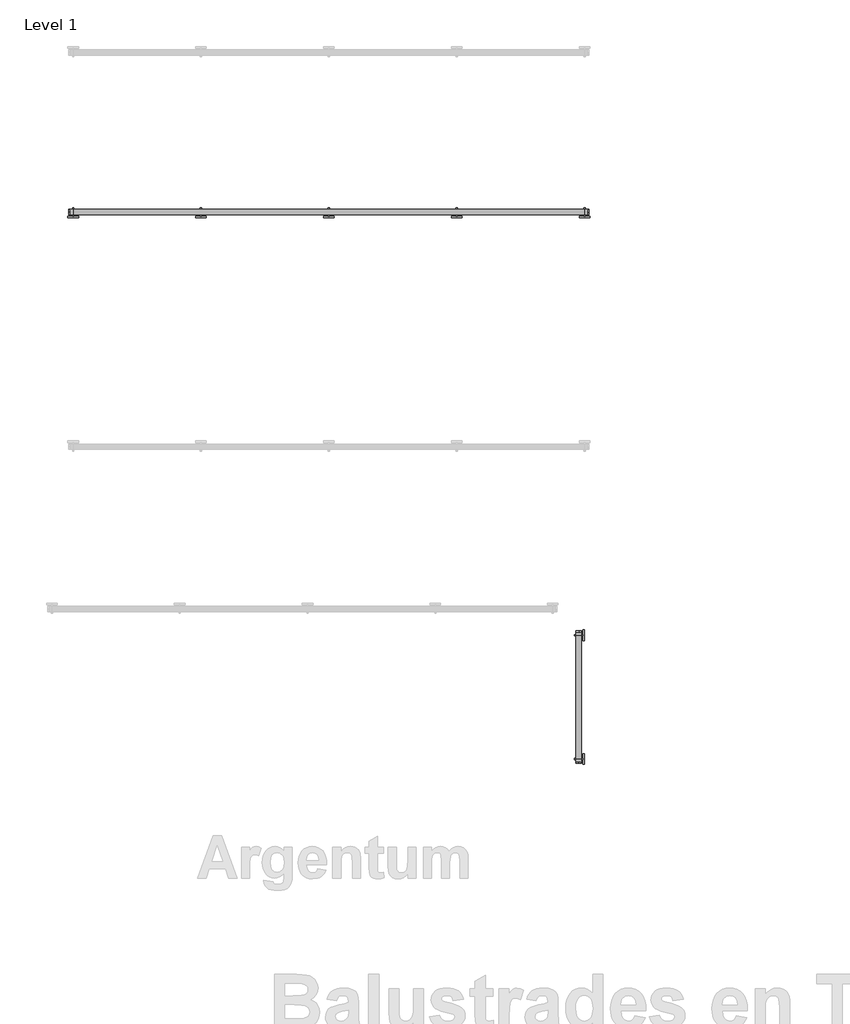
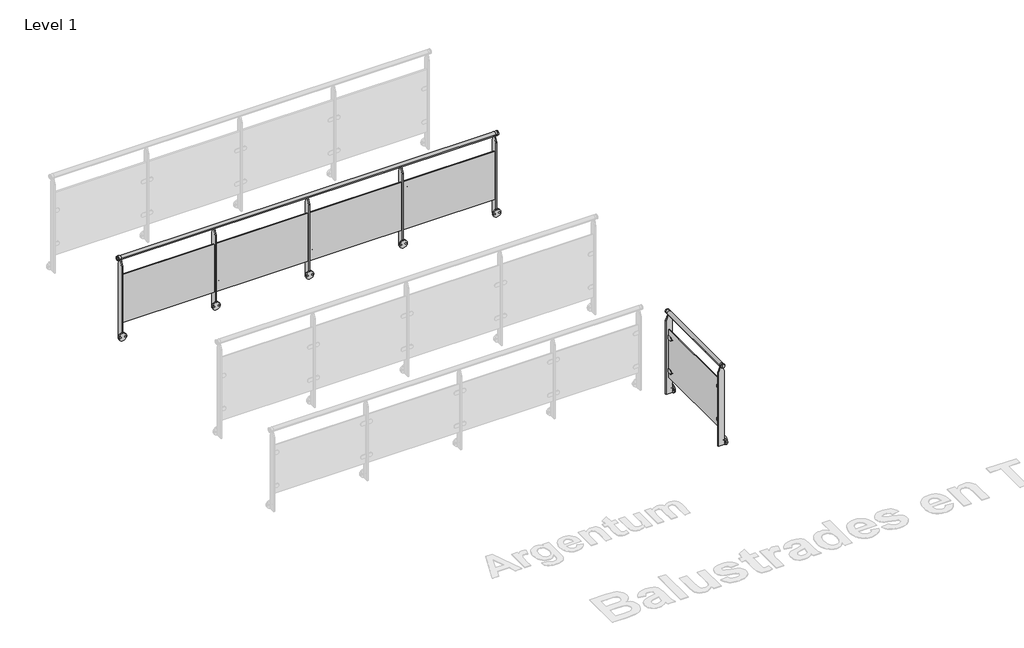
# One storey, part 2 of 16: 2 railings.
"""IFC4 building model written with IfcOpenShell, lengths in millimetres."""

from ifc_helpers import new_model, si_unit, point, frame, frame_2d, origin, place, context, project, spatial, polyline, circle_curve, trimmed, segment, composite_curve, outline, extrude, element, save
from ifc_brep_helpers import plane_surface, cylinder_surface, advanced_brep

model = new_model("IFC4")

# Units and contexts
model_context = context("Model", 3, world=origin())
ifc_project = project(units=[si_unit("LENGTHUNIT", "METRE", prefix="MILLI")], contexts=[model_context])

# Site, building, storey
site = spatial("IfcSite", under=ifc_project)
building = spatial("IfcBuilding", under=site)
storey = spatial("IfcBuildingStorey", under=building, Name="Level 1", Elevation=0.0)

# Railings
placement = place(None, origin())
element("IfcRailing", 1, at=placement, inside=storey, context=model_context, shape_type="SolidModel", body=[
    advanced_brep(
    [(24690.6479588, -9489.3474939, 975.0), (24690.6479588, -9489.3474939, 1000.0), (24690.6479588, -9489.3474939, 950.0), (24700.6479588, -9489.3474939, 950.0), (24700.6479588, -9489.3474939, 1000.0), (24700.6479588, -9489.3474939, 975.0)],
    [
        (0, 1),
        (1, 2, circle_curve(frame((24690.6479588, -9489.3474939, 975.0), z_axis=(-1.0, 0.0, 0.0), x_axis=(0.0, 0.0, 1.0)), 25.0)),
        (2, 0),
        (2, 1, circle_curve(frame((24690.6479588, -9489.3474939, 975.0), z_axis=(-1.0, 0.0, 0.0), x_axis=(0.0, 0.0, 1.0)), 25.0)),
        (3, 4, circle_curve(frame((24700.6479588, -9489.3474939, 975.0), z_axis=(1.0, 0.0, 0.0), x_axis=(0.0, 0.0, 1.0)), 25.0)),
        (4, 5),
        (5, 3),
        (4, 3, circle_curve(frame((24700.6479588, -9489.3474939, 975.0), z_axis=(1.0, 0.0, 0.0), x_axis=(0.0, 0.0, 1.0)), 25.0)),
        (1, 4),
        (3, 2),
    ],
    [
        plane_surface(frame((24690.6479588, -9489.3474939, 975.0), z_axis=(-1.0, 0.0, 0.0), x_axis=(0.0, 0.0, 1.0))),
        plane_surface(frame((24700.6479588, -9489.3474939, 975.0), z_axis=(1.0, 0.0, 0.0), x_axis=(0.0, 0.0, 1.0))),
        cylinder_surface(frame((24675.6479588, -9489.3474939, 975.0), z_axis=(-1.0, 0.0, 0.0), x_axis=(0.0, 0.0, 1.0)), 25.0),
    ],
    [
        (0, [[1, 2, 3]]),
        (0, [[-3, 4, -1]]),
        (1, [[5, 6, 7]]),
        (1, [[8, -7, -6]]),
        (2, [[-2, 9, -5, 10]]),
        (2, [[-4, -10, -8, -9]]),
    ],
),
    advanced_brep(
    [(19830.6479588, -9489.3474939, 975.0), (19830.6479588, -9489.3474939, 1000.0), (19830.6479588, -9489.3474939, 950.0), (19820.6479588, -9489.3474939, 950.0), (19820.6479588, -9489.3474939, 1000.0), (19820.6479588, -9489.3474939, 975.0)],
    [
        (0, 1),
        (1, 2, circle_curve(frame((19830.6479588, -9489.3474939, 975.0), z_axis=(1.0, 0.0, 0.0), x_axis=(0.0, 0.0, 1.0)), 25.0)),
        (2, 0),
        (2, 1, circle_curve(frame((19830.6479588, -9489.3474939, 975.0), z_axis=(1.0, 0.0, 0.0), x_axis=(0.0, 0.0, 1.0)), 25.0)),
        (3, 4, circle_curve(frame((19820.6479588, -9489.3474939, 975.0), z_axis=(-1.0, 0.0, 0.0), x_axis=(0.0, 0.0, 1.0)), 25.0)),
        (4, 5),
        (5, 3),
        (4, 3, circle_curve(frame((19820.6479588, -9489.3474939, 975.0), z_axis=(-1.0, 0.0, 0.0), x_axis=(0.0, 0.0, 1.0)), 25.0)),
        (1, 4),
        (3, 2),
    ],
    [
        plane_surface(frame((19830.6479588, -9489.3474939, 975.0), z_axis=(1.0, 0.0, 0.0), x_axis=(0.0, 0.0, 1.0))),
        plane_surface(frame((19820.6479588, -9489.3474939, 975.0), z_axis=(-1.0, 0.0, 0.0), x_axis=(0.0, 0.0, 1.0))),
        cylinder_surface(frame((19845.6479588, -9489.3474939, 975.0), z_axis=(1.0, 0.0, 0.0), x_axis=(0.0, 0.0, 1.0)), 25.0),
    ],
    [
        (0, [[1, 2, 3]]),
        (0, [[-3, 4, -1]]),
        (1, [[5, 6, 7]]),
        (1, [[8, -7, -6]]),
        (2, [[-2, 9, -5, 10]]),
        (2, [[-4, -10, -8, -9]]),
    ],
),
    advanced_brep(
    [(19830.6479588, -9514.3474939, 975.0), (19830.6479588, -9464.3474939, 975.0), (19860.6479588, -9514.3474939, 975.0), (19860.6479588, -9464.3474939, 975.0), (24660.6479588, -9514.3474939, 975.0), (24660.6479588, -9464.3474939, 975.0), (24690.6479588, -9514.3474939, 975.0), (24690.6479588, -9464.3474939, 975.0)],
    [
        (0, 1, circle_curve(frame((19830.6479588, -9489.3474939, 975.0), z_axis=(-1.0, 0.0, 0.0), x_axis=(0.0, 1.0, 0.0)), 25.0)),
        (1, 0, circle_curve(frame((19830.6479588, -9489.3474939, 975.0), z_axis=(-1.0, 0.0, 0.0), x_axis=(0.0, 1.0, 0.0)), 25.0)),
        (0, 2),
        (2, 3, circle_curve(frame((19860.6479588, -9489.3474939, 975.0), z_axis=(-1.0, 0.0, 0.0), x_axis=(0.0, 1.0, 0.0)), 25.0)),
        (3, 1),
        (3, 2, circle_curve(frame((19860.6479588, -9489.3474939, 975.0), z_axis=(-1.0, 0.0, 0.0), x_axis=(0.0, 1.0, 0.0)), 25.0)),
        (2, 4),
        (4, 5, circle_curve(frame((24660.6479588, -9489.3474939, 975.0), z_axis=(-1.0, 0.0, 0.0), x_axis=(0.0, 1.0, 0.0)), 25.0)),
        (5, 3),
        (5, 4, circle_curve(frame((24660.6479588, -9489.3474939, 975.0), z_axis=(-1.0, 0.0, 0.0), x_axis=(0.0, 1.0, 0.0)), 25.0)),
        (6, 7, circle_curve(frame((24690.6479588, -9489.3474939, 975.0), z_axis=(1.0, 0.0, 0.0), x_axis=(0.0, 1.0, 0.0)), 25.0)),
        (7, 6, circle_curve(frame((24690.6479588, -9489.3474939, 975.0), z_axis=(1.0, 0.0, 0.0), x_axis=(0.0, 1.0, 0.0)), 25.0)),
        (4, 6),
        (7, 5),
    ],
    [
        plane_surface(frame((19830.6479588, -9489.3474939, 1000.0), z_axis=(-1.0, 0.0, 0.0), x_axis=(0.0, 1.0, 0.0))),
        cylinder_surface(frame((19830.6479588, -9489.3474939, 975.0), z_axis=(-1.0, 0.0, 0.0), x_axis=(0.0, 1.0, 0.0)), 25.0),
        cylinder_surface(frame((19860.6479588, -9489.3474939, 975.0), z_axis=(-1.0, 0.0, 0.0), x_axis=(0.0, 1.0, 0.0)), 25.0),
        plane_surface(frame((24690.6479588, -9489.3474939, 1000.0), z_axis=(1.0, 0.0, 0.0), x_axis=(0.0, 1.0, 0.0))),
        cylinder_surface(frame((24660.6479588, -9489.3474939, 975.0), z_axis=(-1.0, 0.0, 0.0), x_axis=(0.0, 1.0, 0.0)), 25.0),
    ],
    [
        (0, [[1, 2]]),
        (1, [[-1, 3, 4, 5]]),
        (1, [[-2, -5, 6, -3]]),
        (2, [[-4, 7, 8, 9]]),
        (2, [[-6, -9, 10, -7]]),
        (3, [[11, 12]]),
        (4, [[-8, 13, -12, 14]]),
        (4, [[-10, -14, -11, -13]]),
    ],
),
    extrude(outline(polyline([(19860.6479588, -9512.3474939), (19860.6479588, -9496.3474939), (24660.6479588, -9496.3474939), (24660.6479588, -9512.3474939), (19860.6479588, -9512.3474939)])), frame((0.0, 0.0, 100.0), z_axis=(0.0, 0.0, 1.0), x_axis=(1.0, 0.0, 0.0)), (0.0, 0.0, 1.0), 650.0),
    extrude(outline(composite_curve([segment(trimmed(circle_curve(frame_2d((200.0, 23511.6479588)), 25.0), [point((175.0, 23511.6479588))], [point((225.0, 23511.6479588))], False, "CARTESIAN"), True, "CONTINUOUS"), segment(polyline([(225.0, 23511.6479588), (225.0, 23466.6479588), (175.0, 23466.6479588), (175.0, 23511.6479588)]), True, "CONTINUOUS")], self_intersect=False)), frame((0.0, -9502.0876051, 0.0), z_axis=(0.0, 1.0, 0.0), x_axis=(0.0, 0.0, 1.0)), (0.0, 0.0, 1.0), 25.4802223),
    extrude(outline(composite_curve([segment(trimmed(circle_curve(frame_2d((650.0, 23511.6479588)), 25.0), [point((625.0, 23511.6479588))], [point((675.0, 23511.6479588))], False, "CARTESIAN"), True, "CONTINUOUS"), segment(polyline([(675.0, 23511.6479588), (675.0, 23466.6479588), (625.0, 23466.6479588), (625.0, 23511.6479588)]), True, "CONTINUOUS")], self_intersect=False)), frame((0.0, -9502.0876051, 0.0), z_axis=(0.0, 1.0, 0.0), x_axis=(0.0, 0.0, 1.0)), (0.0, 0.0, 1.0), 25.4802223),
    extrude(outline(composite_curve([segment(polyline([(175.0, 23409.6479588), (175.0, 23454.6479588), (225.0, 23454.6479588), (225.0, 23409.6479588)]), True, "CONTINUOUS"), segment(trimmed(circle_curve(frame_2d((200.0, 23409.6479588)), 25.0), [point((225.0, 23409.6479588))], [point((175.0, 23409.6479588))], False, "CARTESIAN"), True, "CONTINUOUS")], self_intersect=False)), frame((0.0, -9502.0876051, 0.0), z_axis=(0.0, 1.0, 0.0), x_axis=(0.0, 0.0, 1.0)), (0.0, 0.0, 1.0), 25.4802223),
    extrude(outline(composite_curve([segment(polyline([(625.0, 23409.6479588), (625.0, 23454.6479588), (675.0, 23454.6479588), (675.0, 23409.6479588)]), True, "CONTINUOUS"), segment(trimmed(circle_curve(frame_2d((650.0, 23409.6479588)), 25.0), [point((675.0, 23409.6479588))], [point((625.0, 23409.6479588))], False, "CARTESIAN"), True, "CONTINUOUS")], self_intersect=False)), frame((0.0, -9502.0876051, 0.0), z_axis=(0.0, 1.0, 0.0), x_axis=(0.0, 0.0, 1.0)), (0.0, 0.0, 1.0), 25.4802223),
    extrude(outline(polyline([(-9449.3474939, -120.0), (-9529.3474939, -120.0), (-9529.3474939, 875.0), (-9499.3474939, 950.0), (-9479.3474939, 950.0), (-9449.3474939, 875.0), (-9449.3474939, -120.0)])), frame((23454.6479588, 0.0, 0.0), z_axis=(1.0, 0.0, 0.0), x_axis=(0.0, 1.0, 0.0)), (0.0, 0.0, 1.0), 12.0),
    extrude(outline(composite_curve([segment(trimmed(circle_curve(frame_2d((-70.0, 23460.6479588)), 50.0), [point((-70.0, 23510.6479588))], [point((-70.0, 23410.6479588))], False, "CARTESIAN"), True, "CONTINUOUS"), segment(trimmed(circle_curve(frame_2d((-70.0, 23460.6479588)), 50.0), [point((-70.0, 23410.6479588))], [point((-70.0, 23510.6479588))], False, "CARTESIAN"), True, "CONTINUOUS")], self_intersect=False), holes=[composite_curve([segment(trimmed(circle_curve(frame_2d((-70.0, 23491.6479588)), 9.0), [point((-70.0, 23500.6479588))], [point((-70.0, 23482.6479588))], True, "CARTESIAN"), True, "CONTINUOUS"), segment(trimmed(circle_curve(frame_2d((-70.0, 23491.6479588)), 9.0), [point((-70.0, 23482.6479588))], [point((-70.0, 23500.6479588))], True, "CARTESIAN"), True, "CONTINUOUS")], self_intersect=False), composite_curve([segment(trimmed(circle_curve(frame_2d((-70.0, 23429.6479588)), 9.0), [point((-70.0, 23438.6479588))], [point((-70.0, 23420.6479588))], True, "CARTESIAN"), True, "CONTINUOUS"), segment(trimmed(circle_curve(frame_2d((-70.0, 23429.6479588)), 9.0), [point((-70.0, 23420.6479588))], [point((-70.0, 23438.6479588))], True, "CARTESIAN"), True, "CONTINUOUS")], self_intersect=False)]), frame((0.0, -9544.3474939, 0.0), z_axis=(0.0, 1.0, 0.0), x_axis=(0.0, 0.0, 1.0)), (0.0, 0.0, 1.0), 15.0),
    extrude(outline(composite_curve([segment(trimmed(circle_curve(frame_2d((200.0, 22311.6479588)), 25.0), [point((175.0, 22311.6479588))], [point((225.0, 22311.6479588))], False, "CARTESIAN"), True, "CONTINUOUS"), segment(polyline([(225.0, 22311.6479588), (225.0, 22266.6479588), (175.0, 22266.6479588), (175.0, 22311.6479588)]), True, "CONTINUOUS")], self_intersect=False)), frame((0.0, -9502.0876051, 0.0), z_axis=(0.0, 1.0, 0.0), x_axis=(0.0, 0.0, 1.0)), (0.0, 0.0, 1.0), 25.4802223),
    extrude(outline(composite_curve([segment(trimmed(circle_curve(frame_2d((650.0, 22311.6479588)), 25.0), [point((625.0, 22311.6479588))], [point((675.0, 22311.6479588))], False, "CARTESIAN"), True, "CONTINUOUS"), segment(polyline([(675.0, 22311.6479588), (675.0, 22266.6479588), (625.0, 22266.6479588), (625.0, 22311.6479588)]), True, "CONTINUOUS")], self_intersect=False)), frame((0.0, -9502.0876051, 0.0), z_axis=(0.0, 1.0, 0.0), x_axis=(0.0, 0.0, 1.0)), (0.0, 0.0, 1.0), 25.4802223),
    extrude(outline(composite_curve([segment(polyline([(175.0, 22209.6479588), (175.0, 22254.6479588), (225.0, 22254.6479588), (225.0, 22209.6479588)]), True, "CONTINUOUS"), segment(trimmed(circle_curve(frame_2d((200.0, 22209.6479588)), 25.0), [point((225.0, 22209.6479588))], [point((175.0, 22209.6479588))], False, "CARTESIAN"), True, "CONTINUOUS")], self_intersect=False)), frame((0.0, -9502.0876051, 0.0), z_axis=(0.0, 1.0, 0.0), x_axis=(0.0, 0.0, 1.0)), (0.0, 0.0, 1.0), 25.4802223),
    extrude(outline(composite_curve([segment(polyline([(625.0, 22209.6479588), (625.0, 22254.6479588), (675.0, 22254.6479588), (675.0, 22209.6479588)]), True, "CONTINUOUS"), segment(trimmed(circle_curve(frame_2d((650.0, 22209.6479588)), 25.0), [point((675.0, 22209.6479588))], [point((625.0, 22209.6479588))], False, "CARTESIAN"), True, "CONTINUOUS")], self_intersect=False)), frame((0.0, -9502.0876051, 0.0), z_axis=(0.0, 1.0, 0.0), x_axis=(0.0, 0.0, 1.0)), (0.0, 0.0, 1.0), 25.4802223),
    extrude(outline(polyline([(-9449.3474939, -120.0), (-9529.3474939, -120.0), (-9529.3474939, 875.0), (-9499.3474939, 950.0), (-9479.3474939, 950.0), (-9449.3474939, 875.0), (-9449.3474939, -120.0)])), frame((22254.6479588, 0.0, 0.0), z_axis=(1.0, 0.0, 0.0), x_axis=(0.0, 1.0, 0.0)), (0.0, 0.0, 1.0), 12.0),
    extrude(outline(composite_curve([segment(trimmed(circle_curve(frame_2d((-70.0, 22260.6479588)), 50.0), [point((-70.0, 22310.6479588))], [point((-70.0, 22210.6479588))], False, "CARTESIAN"), True, "CONTINUOUS"), segment(trimmed(circle_curve(frame_2d((-70.0, 22260.6479588)), 50.0), [point((-70.0, 22210.6479588))], [point((-70.0, 22310.6479588))], False, "CARTESIAN"), True, "CONTINUOUS")], self_intersect=False), holes=[composite_curve([segment(trimmed(circle_curve(frame_2d((-70.0, 22291.6479588)), 9.0), [point((-70.0, 22300.6479588))], [point((-70.0, 22282.6479588))], True, "CARTESIAN"), True, "CONTINUOUS"), segment(trimmed(circle_curve(frame_2d((-70.0, 22291.6479588)), 9.0), [point((-70.0, 22282.6479588))], [point((-70.0, 22300.6479588))], True, "CARTESIAN"), True, "CONTINUOUS")], self_intersect=False), composite_curve([segment(trimmed(circle_curve(frame_2d((-70.0, 22229.6479588)), 9.0), [point((-70.0, 22238.6479588))], [point((-70.0, 22220.6479588))], True, "CARTESIAN"), True, "CONTINUOUS"), segment(trimmed(circle_curve(frame_2d((-70.0, 22229.6479588)), 9.0), [point((-70.0, 22220.6479588))], [point((-70.0, 22238.6479588))], True, "CARTESIAN"), True, "CONTINUOUS")], self_intersect=False)]), frame((0.0, -9544.3474939, 0.0), z_axis=(0.0, 1.0, 0.0), x_axis=(0.0, 0.0, 1.0)), (0.0, 0.0, 1.0), 15.0),
    extrude(outline(composite_curve([segment(trimmed(circle_curve(frame_2d((200.0, 21111.6479588)), 25.0), [point((175.0, 21111.6479588))], [point((225.0, 21111.6479588))], False, "CARTESIAN"), True, "CONTINUOUS"), segment(polyline([(225.0, 21111.6479588), (225.0, 21066.6479588), (175.0, 21066.6479588), (175.0, 21111.6479588)]), True, "CONTINUOUS")], self_intersect=False)), frame((0.0, -9502.0876051, 0.0), z_axis=(0.0, 1.0, 0.0), x_axis=(0.0, 0.0, 1.0)), (0.0, 0.0, 1.0), 25.4802223),
    extrude(outline(composite_curve([segment(trimmed(circle_curve(frame_2d((650.0, 21111.6479588)), 25.0), [point((625.0, 21111.6479588))], [point((675.0, 21111.6479588))], False, "CARTESIAN"), True, "CONTINUOUS"), segment(polyline([(675.0, 21111.6479588), (675.0, 21066.6479588), (625.0, 21066.6479588), (625.0, 21111.6479588)]), True, "CONTINUOUS")], self_intersect=False)), frame((0.0, -9502.0876051, 0.0), z_axis=(0.0, 1.0, 0.0), x_axis=(0.0, 0.0, 1.0)), (0.0, 0.0, 1.0), 25.4802223),
    extrude(outline(composite_curve([segment(polyline([(175.0, 21009.6479588), (175.0, 21054.6479588), (225.0, 21054.6479588), (225.0, 21009.6479588)]), True, "CONTINUOUS"), segment(trimmed(circle_curve(frame_2d((200.0, 21009.6479588)), 25.0), [point((225.0, 21009.6479588))], [point((175.0, 21009.6479588))], False, "CARTESIAN"), True, "CONTINUOUS")], self_intersect=False)), frame((0.0, -9502.0876051, 0.0), z_axis=(0.0, 1.0, 0.0), x_axis=(0.0, 0.0, 1.0)), (0.0, 0.0, 1.0), 25.4802223),
    extrude(outline(composite_curve([segment(polyline([(625.0, 21009.6479588), (625.0, 21054.6479588), (675.0, 21054.6479588), (675.0, 21009.6479588)]), True, "CONTINUOUS"), segment(trimmed(circle_curve(frame_2d((650.0, 21009.6479588)), 25.0), [point((675.0, 21009.6479588))], [point((625.0, 21009.6479588))], False, "CARTESIAN"), True, "CONTINUOUS")], self_intersect=False)), frame((0.0, -9502.0876051, 0.0), z_axis=(0.0, 1.0, 0.0), x_axis=(0.0, 0.0, 1.0)), (0.0, 0.0, 1.0), 25.4802223),
    extrude(outline(polyline([(-9449.3474939, -120.0), (-9529.3474939, -120.0), (-9529.3474939, 875.0), (-9499.3474939, 950.0), (-9479.3474939, 950.0), (-9449.3474939, 875.0), (-9449.3474939, -120.0)])), frame((21054.6479588, 0.0, 0.0), z_axis=(1.0, 0.0, 0.0), x_axis=(0.0, 1.0, 0.0)), (0.0, 0.0, 1.0), 12.0),
    extrude(outline(composite_curve([segment(trimmed(circle_curve(frame_2d((-70.0, 21060.6479588)), 50.0), [point((-70.0, 21110.6479588))], [point((-70.0, 21010.6479588))], False, "CARTESIAN"), True, "CONTINUOUS"), segment(trimmed(circle_curve(frame_2d((-70.0, 21060.6479588)), 50.0), [point((-70.0, 21010.6479588))], [point((-70.0, 21110.6479588))], False, "CARTESIAN"), True, "CONTINUOUS")], self_intersect=False), holes=[composite_curve([segment(trimmed(circle_curve(frame_2d((-70.0, 21091.6479588)), 9.0), [point((-70.0, 21100.6479588))], [point((-70.0, 21082.6479588))], True, "CARTESIAN"), True, "CONTINUOUS"), segment(trimmed(circle_curve(frame_2d((-70.0, 21091.6479588)), 9.0), [point((-70.0, 21082.6479588))], [point((-70.0, 21100.6479588))], True, "CARTESIAN"), True, "CONTINUOUS")], self_intersect=False), composite_curve([segment(trimmed(circle_curve(frame_2d((-70.0, 21029.6479588)), 9.0), [point((-70.0, 21038.6479588))], [point((-70.0, 21020.6479588))], True, "CARTESIAN"), True, "CONTINUOUS"), segment(trimmed(circle_curve(frame_2d((-70.0, 21029.6479588)), 9.0), [point((-70.0, 21020.6479588))], [point((-70.0, 21038.6479588))], True, "CARTESIAN"), True, "CONTINUOUS")], self_intersect=False)]), frame((0.0, -9544.3474939, 0.0), z_axis=(0.0, 1.0, 0.0), x_axis=(0.0, 0.0, 1.0)), (0.0, 0.0, 1.0), 15.0),
    extrude(outline(composite_curve([segment(polyline([(175.0, 24609.6479588), (175.0, 24654.6479588), (225.0, 24654.6479588), (225.0, 24609.6479588)]), True, "CONTINUOUS"), segment(trimmed(circle_curve(frame_2d((200.0, 24609.6479588)), 25.0), [point((225.0, 24609.6479588))], [point((175.0, 24609.6479588))], False, "CARTESIAN"), True, "CONTINUOUS")], self_intersect=False)), frame((0.0, -9502.0876051, 0.0), z_axis=(0.0, 1.0, 0.0), x_axis=(0.0, 0.0, 1.0)), (0.0, 0.0, 1.0), 25.4802223),
    extrude(outline(composite_curve([segment(polyline([(625.0, 24609.6479588), (625.0, 24654.6479588), (675.0, 24654.6479588), (675.0, 24609.6479588)]), True, "CONTINUOUS"), segment(trimmed(circle_curve(frame_2d((650.0, 24609.6479588)), 25.0), [point((675.0, 24609.6479588))], [point((625.0, 24609.6479588))], False, "CARTESIAN"), True, "CONTINUOUS")], self_intersect=False)), frame((0.0, -9502.0876051, 0.0), z_axis=(0.0, 1.0, 0.0), x_axis=(0.0, 0.0, 1.0)), (0.0, 0.0, 1.0), 25.4802223),
    extrude(outline(polyline([(-9449.3474939, -120.0), (-9529.3474939, -120.0), (-9529.3474939, 875.0), (-9499.3474939, 950.0), (-9479.3474939, 950.0), (-9449.3474939, 875.0), (-9449.3474939, -120.0)])), frame((24654.6479588, 0.0, 0.0), z_axis=(1.0, 0.0, 0.0), x_axis=(0.0, 1.0, 0.0)), (0.0, 0.0, 1.0), 12.0),
    extrude(outline(composite_curve([segment(trimmed(circle_curve(frame_2d((-70.0, 24660.6479588)), 50.0), [point((-70.0, 24710.6479588))], [point((-70.0, 24610.6479588))], False, "CARTESIAN"), True, "CONTINUOUS"), segment(trimmed(circle_curve(frame_2d((-70.0, 24660.6479588)), 50.0), [point((-70.0, 24610.6479588))], [point((-70.0, 24710.6479588))], False, "CARTESIAN"), True, "CONTINUOUS")], self_intersect=False), holes=[composite_curve([segment(trimmed(circle_curve(frame_2d((-70.0, 24691.6479588)), 9.0), [point((-70.0, 24700.6479588))], [point((-70.0, 24682.6479588))], True, "CARTESIAN"), True, "CONTINUOUS"), segment(trimmed(circle_curve(frame_2d((-70.0, 24691.6479588)), 9.0), [point((-70.0, 24682.6479588))], [point((-70.0, 24700.6479588))], True, "CARTESIAN"), True, "CONTINUOUS")], self_intersect=False), composite_curve([segment(trimmed(circle_curve(frame_2d((-70.0, 24629.6479588)), 9.0), [point((-70.0, 24638.6479588))], [point((-70.0, 24620.6479588))], True, "CARTESIAN"), True, "CONTINUOUS"), segment(trimmed(circle_curve(frame_2d((-70.0, 24629.6479588)), 9.0), [point((-70.0, 24620.6479588))], [point((-70.0, 24638.6479588))], True, "CARTESIAN"), True, "CONTINUOUS")], self_intersect=False)]), frame((0.0, -9544.3474939, 0.0), z_axis=(0.0, 1.0, 0.0), x_axis=(0.0, 0.0, 1.0)), (0.0, 0.0, 1.0), 15.0),
    extrude(outline(composite_curve([segment(trimmed(circle_curve(frame_2d((200.0, 19911.6479588)), 25.0), [point((175.0, 19911.6479588))], [point((225.0, 19911.6479588))], False, "CARTESIAN"), True, "CONTINUOUS"), segment(polyline([(225.0, 19911.6479588), (225.0, 19866.6479588), (175.0, 19866.6479588), (175.0, 19911.6479588)]), True, "CONTINUOUS")], self_intersect=False)), frame((0.0, -9502.0876051, 0.0), z_axis=(0.0, 1.0, 0.0), x_axis=(0.0, 0.0, 1.0)), (0.0, 0.0, 1.0), 25.4802223),
    extrude(outline(composite_curve([segment(trimmed(circle_curve(frame_2d((650.0, 19911.6479588)), 25.0), [point((625.0, 19911.6479588))], [point((675.0, 19911.6479588))], False, "CARTESIAN"), True, "CONTINUOUS"), segment(polyline([(675.0, 19911.6479588), (675.0, 19866.6479588), (625.0, 19866.6479588), (625.0, 19911.6479588)]), True, "CONTINUOUS")], self_intersect=False)), frame((0.0, -9502.0876051, 0.0), z_axis=(0.0, 1.0, 0.0), x_axis=(0.0, 0.0, 1.0)), (0.0, 0.0, 1.0), 25.4802223),
    extrude(outline(polyline([(-9449.3474939, -120.0), (-9529.3474939, -120.0), (-9529.3474939, 875.0), (-9499.3474939, 950.0), (-9479.3474939, 950.0), (-9449.3474939, 875.0), (-9449.3474939, -120.0)])), frame((19854.6479588, 0.0, 0.0), z_axis=(1.0, 0.0, 0.0), x_axis=(0.0, 1.0, 0.0)), (0.0, 0.0, 1.0), 12.0),
    extrude(outline(composite_curve([segment(trimmed(circle_curve(frame_2d((-70.0, 19860.6479588)), 50.0), [point((-70.0, 19910.6479588))], [point((-70.0, 19810.6479588))], False, "CARTESIAN"), True, "CONTINUOUS"), segment(trimmed(circle_curve(frame_2d((-70.0, 19860.6479588)), 50.0), [point((-70.0, 19810.6479588))], [point((-70.0, 19910.6479588))], False, "CARTESIAN"), True, "CONTINUOUS")], self_intersect=False), holes=[composite_curve([segment(trimmed(circle_curve(frame_2d((-70.0, 19891.6479588)), 9.0), [point((-70.0, 19900.6479588))], [point((-70.0, 19882.6479588))], True, "CARTESIAN"), True, "CONTINUOUS"), segment(trimmed(circle_curve(frame_2d((-70.0, 19891.6479588)), 9.0), [point((-70.0, 19882.6479588))], [point((-70.0, 19900.6479588))], True, "CARTESIAN"), True, "CONTINUOUS")], self_intersect=False), composite_curve([segment(trimmed(circle_curve(frame_2d((-70.0, 19829.6479588)), 9.0), [point((-70.0, 19838.6479588))], [point((-70.0, 19820.6479588))], True, "CARTESIAN"), True, "CONTINUOUS"), segment(trimmed(circle_curve(frame_2d((-70.0, 19829.6479588)), 9.0), [point((-70.0, 19820.6479588))], [point((-70.0, 19838.6479588))], True, "CARTESIAN"), True, "CONTINUOUS")], self_intersect=False)]), frame((0.0, -9544.3474939, 0.0), z_axis=(0.0, 1.0, 0.0), x_axis=(0.0, 0.0, 1.0)), (0.0, 0.0, 1.0), 15.0),
])
element("IfcRailing", 2, at=placement, inside=storey, context=model_context, shape_type="SolidModel", body=[
    advanced_brep(
    [(24605.6479588, -14648.253682, 975.0), (24605.6479588, -14648.253682, 1000.0), (24605.6479588, -14648.253682, 950.0), (24605.6479588, -14658.253682, 950.0), (24605.6479588, -14658.253682, 1000.0), (24605.6479588, -14658.253682, 975.0)],
    [
        (0, 1),
        (1, 2, circle_curve(frame((24605.6479588, -14648.253682, 975.0), z_axis=(0.0, 1.0, 0.0), x_axis=(0.0, 0.0, 1.0)), 25.0)),
        (2, 0),
        (2, 1, circle_curve(frame((24605.6479588, -14648.253682, 975.0), z_axis=(0.0, 1.0, 0.0), x_axis=(0.0, 0.0, 1.0)), 25.0)),
        (3, 4, circle_curve(frame((24605.6479588, -14658.253682, 975.0), z_axis=(0.0, -1.0, 0.0), x_axis=(0.0, 0.0, 1.0)), 25.0)),
        (4, 5),
        (5, 3),
        (4, 3, circle_curve(frame((24605.6479588, -14658.253682, 975.0), z_axis=(0.0, -1.0, 0.0), x_axis=(0.0, 0.0, 1.0)), 25.0)),
        (1, 4),
        (3, 2),
    ],
    [
        plane_surface(frame((24605.6479588, -14648.253682, 975.0), z_axis=(0.0, 1.0, 0.0), x_axis=(0.0, 0.0, 1.0))),
        plane_surface(frame((24605.6479588, -14658.253682, 975.0), z_axis=(0.0, -1.0, 0.0), x_axis=(0.0, 0.0, 1.0))),
        cylinder_surface(frame((24605.6479588, -14633.253682, 975.0), z_axis=(0.0, 1.0, 0.0), x_axis=(0.0, 0.0, 1.0)), 25.0),
    ],
    [
        (0, [[1, 2, 3]]),
        (0, [[-3, 4, -1]]),
        (1, [[5, 6, 7]]),
        (1, [[8, -7, -6]]),
        (2, [[-2, 9, -5, 10]]),
        (2, [[-4, -10, -8, -9]]),
    ],
),
    advanced_brep(
    [(24605.6479588, -13428.253682, 975.0), (24605.6479588, -13428.253682, 1000.0), (24605.6479588, -13428.253682, 950.0), (24605.6479588, -13418.253682, 950.0), (24605.6479588, -13418.253682, 1000.0), (24605.6479588, -13418.253682, 975.0)],
    [
        (0, 1),
        (1, 2, circle_curve(frame((24605.6479588, -13428.253682, 975.0), z_axis=(0.0, -1.0, 0.0), x_axis=(0.0, 0.0, 1.0)), 25.0)),
        (2, 0),
        (2, 1, circle_curve(frame((24605.6479588, -13428.253682, 975.0), z_axis=(0.0, -1.0, 0.0), x_axis=(0.0, 0.0, 1.0)), 25.0)),
        (3, 4, circle_curve(frame((24605.6479588, -13418.253682, 975.0), z_axis=(0.0, 1.0, 0.0), x_axis=(0.0, 0.0, 1.0)), 25.0)),
        (4, 5),
        (5, 3),
        (4, 3, circle_curve(frame((24605.6479588, -13418.253682, 975.0), z_axis=(0.0, 1.0, 0.0), x_axis=(0.0, 0.0, 1.0)), 25.0)),
        (1, 4),
        (3, 2),
    ],
    [
        plane_surface(frame((24605.6479588, -13428.253682, 975.0), z_axis=(0.0, -1.0, 0.0), x_axis=(0.0, 0.0, 1.0))),
        plane_surface(frame((24605.6479588, -13418.253682, 975.0), z_axis=(0.0, 1.0, 0.0), x_axis=(0.0, 0.0, 1.0))),
        cylinder_surface(frame((24605.6479588, -13443.253682, 975.0), z_axis=(0.0, -1.0, 0.0), x_axis=(0.0, 0.0, 1.0)), 25.0),
    ],
    [
        (0, [[1, 2, 3]]),
        (0, [[-3, 4, -1]]),
        (1, [[5, 6, 7]]),
        (1, [[8, -7, -6]]),
        (2, [[-2, 9, -5, 10]]),
        (2, [[-4, -10, -8, -9]]),
    ],
),
    advanced_brep(
    [(24580.6479588, -13428.253682, 975.0), (24630.6479588, -13428.253682, 975.0), (24580.6479588, -13458.253682, 975.0), (24630.6479588, -13458.253682, 975.0), (24580.6479588, -14618.253682, 975.0), (24630.6479588, -14618.253682, 975.0), (24580.6479588, -14648.253682, 975.0), (24630.6479588, -14648.253682, 975.0)],
    [
        (0, 1, circle_curve(frame((24605.6479588, -13428.253682, 975.0), z_axis=(0.0, 1.0, 0.0), x_axis=(1.0, 0.0, 0.0)), 25.0)),
        (1, 0, circle_curve(frame((24605.6479588, -13428.253682, 975.0), z_axis=(0.0, 1.0, 0.0), x_axis=(1.0, 0.0, 0.0)), 25.0)),
        (0, 2),
        (2, 3, circle_curve(frame((24605.6479588, -13458.253682, 975.0), z_axis=(0.0, 1.0, 0.0), x_axis=(1.0, 0.0, 0.0)), 25.0)),
        (3, 1),
        (3, 2, circle_curve(frame((24605.6479588, -13458.253682, 975.0), z_axis=(0.0, 1.0, 0.0), x_axis=(1.0, 0.0, 0.0)), 25.0)),
        (2, 4),
        (4, 5, circle_curve(frame((24605.6479588, -14618.253682, 975.0), z_axis=(0.0, 1.0, 0.0), x_axis=(1.0, 0.0, 0.0)), 25.0)),
        (5, 3),
        (5, 4, circle_curve(frame((24605.6479588, -14618.253682, 975.0), z_axis=(0.0, 1.0, 0.0), x_axis=(1.0, 0.0, 0.0)), 25.0)),
        (6, 7, circle_curve(frame((24605.6479588, -14648.253682, 975.0), z_axis=(0.0, -1.0, 0.0), x_axis=(1.0, 0.0, 0.0)), 25.0)),
        (7, 6, circle_curve(frame((24605.6479588, -14648.253682, 975.0), z_axis=(0.0, -1.0, 0.0), x_axis=(1.0, 0.0, 0.0)), 25.0)),
        (4, 6),
        (7, 5),
    ],
    [
        plane_surface(frame((24605.6479588, -13428.253682, 1000.0), z_axis=(0.0, 1.0, 0.0), x_axis=(0.0, 0.0, -1.0))),
        cylinder_surface(frame((24605.6479588, -13428.253682, 975.0), z_axis=(0.0, 1.0, 0.0), x_axis=(1.0, 0.0, 0.0)), 25.0),
        cylinder_surface(frame((24605.6479588, -13458.253682, 975.0), z_axis=(0.0, 1.0, 0.0), x_axis=(1.0, 0.0, 0.0)), 25.0),
        plane_surface(frame((24605.6479588, -14648.253682, 1000.0), z_axis=(0.0, -1.0, 0.0), x_axis=(0.0, 0.0, -1.0))),
        cylinder_surface(frame((24605.6479588, -14618.253682, 975.0), z_axis=(0.0, 1.0, 0.0), x_axis=(1.0, 0.0, 0.0)), 25.0),
    ],
    [
        (0, [[1, 2]]),
        (1, [[-1, 3, 4, 5]]),
        (1, [[-2, -5, 6, -3]]),
        (2, [[-4, 7, 8, 9]]),
        (2, [[-6, -9, 10, -7]]),
        (3, [[11, 12]]),
        (4, [[-8, 13, -12, 14]]),
        (4, [[-10, -14, -11, -13]]),
    ],
),
    extrude(outline(polyline([(24599.6479588, -13458.253682), (24611.6479588, -13458.253682), (24611.6479588, -14618.253682), (24599.6479588, -14618.253682), (24599.6479588, -13458.253682)])), frame((0.0, 0.0, 100.0), z_axis=(0.0, 0.0, 1.0), x_axis=(1.0, 0.0, 0.0)), (0.0, 0.0, 1.0), 650.0),
    extrude(outline(composite_curve([segment(polyline([(-14567.253682, 175.0), (-14612.253682, 175.0), (-14612.253682, 225.0), (-14567.253682, 225.0)]), True, "CONTINUOUS"), segment(trimmed(circle_curve(frame_2d((-14567.253682, 200.0)), 25.0), [point((-14567.253682, 225.0))], [point((-14567.253682, 175.0))], False, "CARTESIAN"), True, "CONTINUOUS")], self_intersect=False)), frame((24592.9078476, 0.0, 0.0), z_axis=(1.0, 0.0, 0.0), x_axis=(0.0, 1.0, 0.0)), (0.0, 0.0, 1.0), 25.4802223),
    extrude(outline(composite_curve([segment(polyline([(-14567.253682, 625.0), (-14612.253682, 625.0), (-14612.253682, 675.0), (-14567.253682, 675.0)]), True, "CONTINUOUS"), segment(trimmed(circle_curve(frame_2d((-14567.253682, 650.0)), 25.0), [point((-14567.253682, 675.0))], [point((-14567.253682, 625.0))], False, "CARTESIAN"), True, "CONTINUOUS")], self_intersect=False)), frame((24592.9078476, 0.0, 0.0), z_axis=(1.0, 0.0, 0.0), x_axis=(0.0, 1.0, 0.0)), (0.0, 0.0, 1.0), 25.4802223),
    extrude(outline(polyline([(-120.0, 24645.6479588), (875.0, 24645.6479588), (950.0, 24615.6479588), (950.0, 24595.6479588), (875.0, 24565.6479588), (-120.0, 24565.6479588), (-120.0, 24645.6479588)])), frame((0.0, -14624.253682, 0.0), z_axis=(0.0, 1.0, 0.0), x_axis=(0.0, 0.0, 1.0)), (0.0, 0.0, 1.0), 12.0),
    extrude(outline(composite_curve([segment(trimmed(circle_curve(frame_2d((-14618.253682, -70.0)), 50.0), [point((-14668.253682, -70.0))], [point((-14568.253682, -70.0))], False, "CARTESIAN"), True, "CONTINUOUS"), segment(trimmed(circle_curve(frame_2d((-14618.253682, -70.0)), 50.0), [point((-14568.253682, -70.0))], [point((-14668.253682, -70.0))], False, "CARTESIAN"), True, "CONTINUOUS")], self_intersect=False), holes=[composite_curve([segment(trimmed(circle_curve(frame_2d((-14649.253682, -70.0)), 9.0), [point((-14658.253682, -70.0))], [point((-14640.253682, -70.0))], True, "CARTESIAN"), True, "CONTINUOUS"), segment(trimmed(circle_curve(frame_2d((-14649.253682, -70.0)), 9.0), [point((-14640.253682, -70.0))], [point((-14658.253682, -70.0))], True, "CARTESIAN"), True, "CONTINUOUS")], self_intersect=False), composite_curve([segment(trimmed(circle_curve(frame_2d((-14587.253682, -70.0)), 9.0), [point((-14596.253682, -70.0))], [point((-14578.253682, -70.0))], True, "CARTESIAN"), True, "CONTINUOUS"), segment(trimmed(circle_curve(frame_2d((-14587.253682, -70.0)), 9.0), [point((-14578.253682, -70.0))], [point((-14596.253682, -70.0))], True, "CARTESIAN"), True, "CONTINUOUS")], self_intersect=False)]), frame((24645.6479588, 0.0, 0.0), z_axis=(1.0, 0.0, 0.0), x_axis=(0.0, 1.0, 0.0)), (0.0, 0.0, 1.0), 15.0),
    extrude(outline(composite_curve([segment(trimmed(circle_curve(frame_2d((-13509.253682, 200.0)), 25.0), [point((-13509.253682, 175.0))], [point((-13509.253682, 225.0))], False, "CARTESIAN"), True, "CONTINUOUS"), segment(polyline([(-13509.253682, 225.0), (-13464.253682, 225.0), (-13464.253682, 175.0), (-13509.253682, 175.0)]), True, "CONTINUOUS")], self_intersect=False)), frame((24592.9078476, 0.0, 0.0), z_axis=(1.0, 0.0, 0.0), x_axis=(0.0, 1.0, 0.0)), (0.0, 0.0, 1.0), 25.4802223),
    extrude(outline(composite_curve([segment(trimmed(circle_curve(frame_2d((-13509.253682, 650.0)), 25.0), [point((-13509.253682, 625.0))], [point((-13509.253682, 675.0))], False, "CARTESIAN"), True, "CONTINUOUS"), segment(polyline([(-13509.253682, 675.0), (-13464.253682, 675.0), (-13464.253682, 625.0), (-13509.253682, 625.0)]), True, "CONTINUOUS")], self_intersect=False)), frame((24592.9078476, 0.0, 0.0), z_axis=(1.0, 0.0, 0.0), x_axis=(0.0, 1.0, 0.0)), (0.0, 0.0, 1.0), 25.4802223),
    extrude(outline(polyline([(-120.0, 24645.6479588), (875.0, 24645.6479588), (950.0, 24615.6479588), (950.0, 24595.6479588), (875.0, 24565.6479588), (-120.0, 24565.6479588), (-120.0, 24645.6479588)])), frame((0.0, -13464.253682, 0.0), z_axis=(0.0, 1.0, 0.0), x_axis=(0.0, 0.0, 1.0)), (0.0, 0.0, 1.0), 12.0),
    extrude(outline(composite_curve([segment(trimmed(circle_curve(frame_2d((-13458.253682, -70.0)), 50.0), [point((-13508.253682, -70.0))], [point((-13408.253682, -70.0))], False, "CARTESIAN"), True, "CONTINUOUS"), segment(trimmed(circle_curve(frame_2d((-13458.253682, -70.0)), 50.0), [point((-13408.253682, -70.0))], [point((-13508.253682, -70.0))], False, "CARTESIAN"), True, "CONTINUOUS")], self_intersect=False), holes=[composite_curve([segment(trimmed(circle_curve(frame_2d((-13489.253682, -70.0)), 9.0), [point((-13498.253682, -70.0))], [point((-13480.253682, -70.0))], True, "CARTESIAN"), True, "CONTINUOUS"), segment(trimmed(circle_curve(frame_2d((-13489.253682, -70.0)), 9.0), [point((-13480.253682, -70.0))], [point((-13498.253682, -70.0))], True, "CARTESIAN"), True, "CONTINUOUS")], self_intersect=False), composite_curve([segment(trimmed(circle_curve(frame_2d((-13427.253682, -70.0)), 9.0), [point((-13436.253682, -70.0))], [point((-13418.253682, -70.0))], True, "CARTESIAN"), True, "CONTINUOUS"), segment(trimmed(circle_curve(frame_2d((-13427.253682, -70.0)), 9.0), [point((-13418.253682, -70.0))], [point((-13436.253682, -70.0))], True, "CARTESIAN"), True, "CONTINUOUS")], self_intersect=False)]), frame((24645.6479588, 0.0, 0.0), z_axis=(1.0, 0.0, 0.0), x_axis=(0.0, 1.0, 0.0)), (0.0, 0.0, 1.0), 15.0),
])

save(model, "model.ifc")
